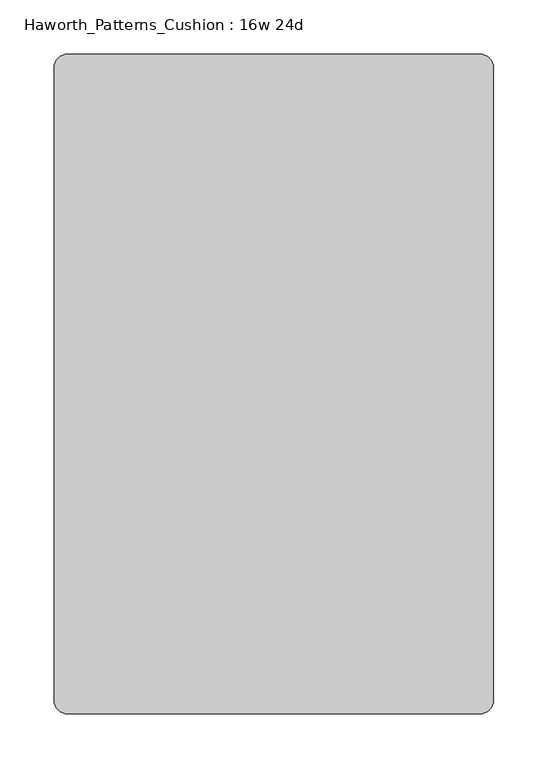
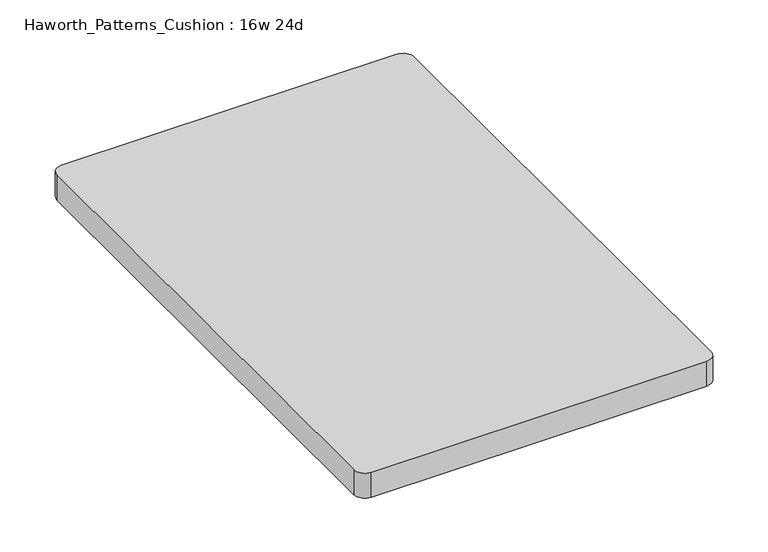
"""IFC4 building model written with IfcOpenShell, lengths in millimetres: furniture geometry, Haworth_Patterns_Cushion : 16w 24d."""

import ifcopenshell
import ifcopenshell.guid

model = None  # the IFC model being written
_history = None  # IfcOwnerHistory: only IFC2X3 demands one
_inside = {}  # id of a spatial element -> (the spatial element, [elements in it])
_under = {}  # id of a project, library or spatial element -> (it, [spatial elements below it])
_declared = {}  # id of a project -> (the project, [libraries it declares])
_typed = {}  # id of a type object -> (the type object, [elements of that type])
_made_of = {}  # id of a material, layer set ... -> (it, [elements and type objects made of it])


def new_model(schema):
    """Start an empty IFC model of exactly this schema.

    Asked for "IFC4X3", IfcOpenShell would pick the latest addendum, in which some entities
    have other attributes; the version numbers below select the first issue.
    IFC2X3 requires an IfcOwnerHistory on every rooted entity: one is made here for all.
    """
    global model, _history
    if schema == "IFC4X3":
        model = ifcopenshell.file(schema_version=(4, 3, 0, 0))
    else:
        model = ifcopenshell.file(schema=schema)
    _inside.clear()
    _under.clear()
    _declared.clear()
    _typed.clear()
    _made_of.clear()
    _history = None
    if model.schema == "IFC2X3":
        org = make("IfcOrganization", Name="unknown")
        user = make(
            "IfcPersonAndOrganization",
            ThePerson=make("IfcPerson", FamilyName="unknown"),
            TheOrganization=org,
        )
        app = make(
            "IfcApplication",
            ApplicationDeveloper=org,
            Version="unknown",
            ApplicationFullName="unknown",
            ApplicationIdentifier="unknown",
        )
        _history = make(
            "IfcOwnerHistory",
            OwningUser=user,
            OwningApplication=app,
            ChangeAction="ADDED",
            CreationDate=0,
        )
    return model


def make(cls, **values):
    """One entity of the class cls with the attributes given. An attribute that is None is left unset."""
    return model.create_entity(
        cls, **{name: value for name, value in values.items() if value is not None}
    )


def rooted(cls, **values):
    """An entity with a GlobalId (a new one), such as an element, a storey or a relation."""
    return make(cls, GlobalId=ifcopenshell.guid.new(), OwnerHistory=_history, **values)


def si_unit(unit_type, name, prefix=None):
    """IfcSIUnit, for example si_unit("LENGTHUNIT", "METRE", prefix="MILLI")."""
    return make("IfcSIUnit", UnitType=unit_type, Prefix=prefix, Name=name)


def assignment(units):
    """IfcUnitAssignment: the units of a project."""
    return None if units is None else make("IfcUnitAssignment", Units=units)


def point(xyz):
    """IfcCartesianPoint."""
    return None if xyz is None else make("IfcCartesianPoint", Coordinates=xyz)


def direction(xyz):
    """IfcDirection."""
    return None if xyz is None else make("IfcDirection", DirectionRatios=xyz)


def frame(location, z_axis=None, x_axis=None):
    """IfcAxis2Placement3D, a coordinate frame: its origin and axes. An axis left out is left unset."""
    return make(
        "IfcAxis2Placement3D",
        Location=point(location),
        Axis=direction(z_axis),
        RefDirection=direction(x_axis),
    )


def frame_2d(location, x_axis=None):
    """IfcAxis2Placement2D, a coordinate frame in the plane: its origin and x axis."""
    return make(
        "IfcAxis2Placement2D", Location=point(location), RefDirection=direction(x_axis)
    )


def origin():
    """The frame at (0, 0, 0) with its axes left unset."""
    return frame((0.0, 0.0, 0.0))


def place(relative_to, where):
    """IfcLocalPlacement: puts the frame where relative to a parent placement (None: the world)."""
    return make(
        "IfcLocalPlacement", PlacementRelTo=relative_to, RelativePlacement=where
    )


def context(
    kind, dimensions, precision=None, world=None, true_north=None, identifier=None
):
    """IfcGeometricRepresentationContext, for example the 3D "Model" context."""
    return make(
        "IfcGeometricRepresentationContext",
        ContextIdentifier=identifier,
        ContextType=kind,
        CoordinateSpaceDimension=dimensions,
        Precision=precision,
        WorldCoordinateSystem=world,
        TrueNorth=true_north,
    )


def project(units=None, contexts=None):
    """IfcProject with its units and contexts."""
    return rooted(
        "IfcProject",
        Name="project",
        RepresentationContexts=contexts,
        UnitsInContext=assignment(units),
    )


def spatial(cls, under=None, at=None, **own):
    """A site, building, storey or space (cls), placed at a placement, below another one or the project."""
    s = rooted(cls, ObjectPlacement=at, **own)
    if under is not None:
        _under.setdefault(under.id(), (under, []))[1].append(s)
    return s


def polyline(points):
    """IfcPolyline through the points."""
    return make("IfcPolyline", Points=[point(p) for p in points])


def circle_curve(where, radius):
    """IfcCircle in the frame where."""
    return make("IfcCircle", Position=where, Radius=radius)


def trimmed(basis, trim1, trim2, sense, master):
    """IfcTrimmedCurve: the piece of a basis curve between two trims."""
    return make(
        "IfcTrimmedCurve",
        BasisCurve=basis,
        Trim1=trim1,
        Trim2=trim2,
        SenseAgreement=sense,
        MasterRepresentation=master,
    )


def segment(curve, same_sense, transition):
    """IfcCompositeCurveSegment."""
    return make(
        "IfcCompositeCurveSegment",
        Transition=transition,
        SameSense=same_sense,
        ParentCurve=curve,
    )


def composite_curve(segments, self_intersect=None):
    """IfcCompositeCurve: segments joined end to end."""
    return make("IfcCompositeCurve", Segments=segments, SelfIntersect=self_intersect)


def outline(outer, holes=None, kind="AREA"):
    """IfcArbitraryClosedProfileDef: a profile drawn as a closed curve; with holes, ...WithVoids."""
    if holes is None:
        return make("IfcArbitraryClosedProfileDef", ProfileType=kind, OuterCurve=outer)
    return make(
        "IfcArbitraryProfileDefWithVoids",
        ProfileType=kind,
        OuterCurve=outer,
        InnerCurves=holes,
    )


def extrude(swept, where, along, depth):
    """IfcExtrudedAreaSolid: the profile swept, set in the frame where, extruded along a direction by depth."""
    return make(
        "IfcExtrudedAreaSolid",
        SweptArea=swept,
        Position=where,
        ExtrudedDirection=direction(along),
        Depth=depth,
    )


def shape(context_of_items, identifier, shape_type, items):
    """IfcShapeRepresentation: the items that make up one representation, for example the "Body"."""
    return make(
        "IfcShapeRepresentation",
        ContextOfItems=context_of_items,
        RepresentationIdentifier=identifier,
        RepresentationType=shape_type,
        Items=items,
    )


def source(mapping_origin, context_of_items, identifier, shape_type, items):
    """IfcRepresentationMap: a shape defined once, which mapped items show again and again."""
    return make(
        "IfcRepresentationMap",
        MappingOrigin=mapping_origin,
        MappedRepresentation=shape(context_of_items, identifier, shape_type, items),
    )


def transform(
    local_origin,
    x_axis=None,
    y_axis=None,
    z_axis=None,
    scale=None,
    scale2=None,
    scale3=None,
    uniform=True,
):
    """IfcCartesianTransformationOperator3D, or its non-uniform kind. x_axis, y_axis, z_axis: its Axis1, 2, 3."""
    if uniform:
        return make(
            "IfcCartesianTransformationOperator3D",
            Axis1=direction(x_axis),
            Axis2=direction(y_axis),
            LocalOrigin=point(local_origin),
            Scale=scale,
            Axis3=direction(z_axis),
        )
    return make(
        "IfcCartesianTransformationOperator3DnonUniform",
        Axis1=direction(x_axis),
        Axis2=direction(y_axis),
        LocalOrigin=point(local_origin),
        Scale=scale,
        Axis3=direction(z_axis),
        Scale2=scale2,
        Scale3=scale3,
    )


def mapped(mapping_source, mapping_target):
    """IfcMappedItem: shows the shape of a source again, moved by a transform."""
    return make(
        "IfcMappedItem", MappingSource=mapping_source, MappingTarget=mapping_target
    )


def made_of(thing, what):
    """Note that an element or type object is made of a material, layer set ...; save() writes the relation."""
    if what is not None:
        _made_of.setdefault(what.id(), (what, []))[1].append(thing)
    return thing


def element(
    cls,
    number,
    at=None,
    inside=None,
    cuts=None,
    type_object=None,
    material=None,
    context=None,
    identifier="Body",
    shape_type=None,
    held_by="IfcProductDefinitionShape",
    body=None,
    shapes=None,
    **own,
):
    """One element of the class cls, such as IfcWall. Its Tag is "e" and its number.

    at: its placement. inside: the storey or other place that contains it. cuts: it is an
    opening in that element (IfcRelVoidsElement). A single representation is given by context,
    identifier, shape_type and body (its items); several are given by shapes. held_by: the class
    of the entity that holds the representations. save() writes the other relations.
    """
    e = rooted(cls, Tag="e%d" % number, ObjectPlacement=at, **own)
    if body is not None:
        shapes = [shape(context, identifier, shape_type, body)]
    if shapes is not None:
        e.Representation = make(held_by, Representations=shapes)
    if inside is not None:
        _inside.setdefault(inside.id(), (inside, []))[1].append(e)
    if cuts is not None:
        rooted(
            "IfcRelVoidsElement", RelatingBuildingElement=cuts, RelatedOpeningElement=e
        )
    if type_object is not None:
        _typed.setdefault(type_object.id(), (type_object, []))[1].append(e)
    return made_of(e, material)


def aggregate(whole, parts):
    """IfcRelAggregates: a whole, such as a stair, and the parts it consists of."""
    return rooted("IfcRelAggregates", RelatingObject=whole, RelatedObjects=parts)


def save(model, path):
    """Write the relations noted so far, then the file.

    IfcRelAggregates (storeys below a building ...), IfcRelContainedInSpatialStructure (elements
    in a storey), IfcRelDefinesByType, IfcRelAssociatesMaterial and IfcRelDeclares: one each for
    every whole, place, type object, material and project.
    """
    for whole, parts in _under.values():
        aggregate(whole, parts)
    for where, things in _inside.values():
        rooted(
            "IfcRelContainedInSpatialStructure",
            RelatedElements=things,
            RelatingStructure=where,
        )
    for kind, things in _typed.values():
        rooted("IfcRelDefinesByType", RelatedObjects=things, RelatingType=kind)
    for what, things in _made_of.values():
        rooted("IfcRelAssociatesMaterial", RelatedObjects=things, RelatingMaterial=what)
    for by, libraries in _declared.values():
        rooted("IfcRelDeclares", RelatingContext=by, RelatedDefinitions=libraries)
    model.write(path)


def haworth_patterns_cushion_16w_24d_864c4154(model_context):
    return source(origin(), model_context, "Body", "SweptSolid", [
        extrude(outline(composite_curve([segment(trimmed(circle_curve(frame_2d((190.5, 292.1)), 12.7), [point((190.5, 304.8))], [point((203.2, 292.1))], False, "CARTESIAN"), True, "CONTINUOUS"), segment(polyline([(203.2, 292.1), (203.2, -292.1)]), True, "CONTINUOUS"), segment(trimmed(circle_curve(frame_2d((190.5, -292.1)), 12.7), [point((203.2, -292.1))], [point((190.5, -304.8))], False, "CARTESIAN"), True, "CONTINUOUS"), segment(polyline([(190.5, -304.8), (-190.5, -304.8)]), True, "CONTINUOUS"), segment(trimmed(circle_curve(frame_2d((-190.5, -292.1)), 12.7), [point((-190.5, -304.8))], [point((-203.2, -292.1))], False, "CARTESIAN"), True, "CONTINUOUS"), segment(polyline([(-203.2, -292.1), (-203.2, 292.1)]), True, "CONTINUOUS"), segment(trimmed(circle_curve(frame_2d((-190.5, 292.1)), 12.7), [point((-203.2, 292.1))], [point((-190.5, 304.8))], False, "CARTESIAN"), True, "CONTINUOUS"), segment(polyline([(-190.5, 304.8), (190.5, 304.8)]), True, "CONTINUOUS")], self_intersect=False)), frame((0.0, 0.0, 609.6), z_axis=(0.0, 0.0, 1.0), x_axis=(1.0, 0.0, 0.0)), (0.0, 0.0, 1.0), 30.1625),
    ])


if __name__ == "__main__":
    model = new_model("IFC4")
    model_context = context("Model", 3, world=origin())
    ifc_project = project(units=[si_unit("LENGTHUNIT", "METRE", prefix="MILLI")], contexts=[model_context])
    site = spatial("IfcSite", under=ifc_project)
    building = spatial("IfcBuilding", under=site)
    placement = place(None, origin())
    haworth_patterns_cushion_16w_24d_shape = haworth_patterns_cushion_16w_24d_864c4154(model_context)
    element("IfcFurniture", 1, ObjectType="Haworth_Patterns_Cushion : 16w 24d", at=placement, inside=building, context=model_context, shape_type="MappedRepresentation", body=[
        mapped(haworth_patterns_cushion_16w_24d_shape, transform((0.0, 0.0, 0.0), x_axis=(1.0, 0.0, 0.0), y_axis=(0.0, 1.0, 0.0), z_axis=(0.0, 0.0, 1.0))),
    ])
    save(model, "model.ifc")
